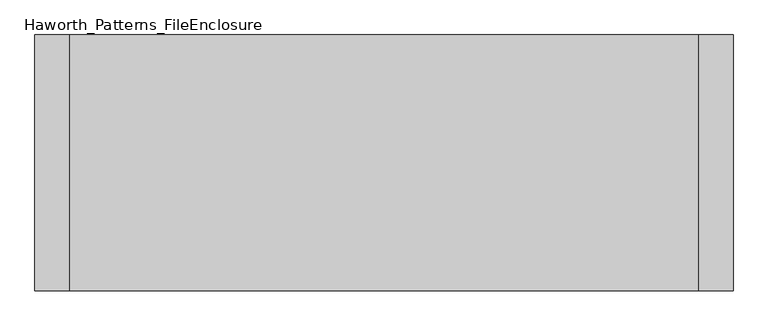
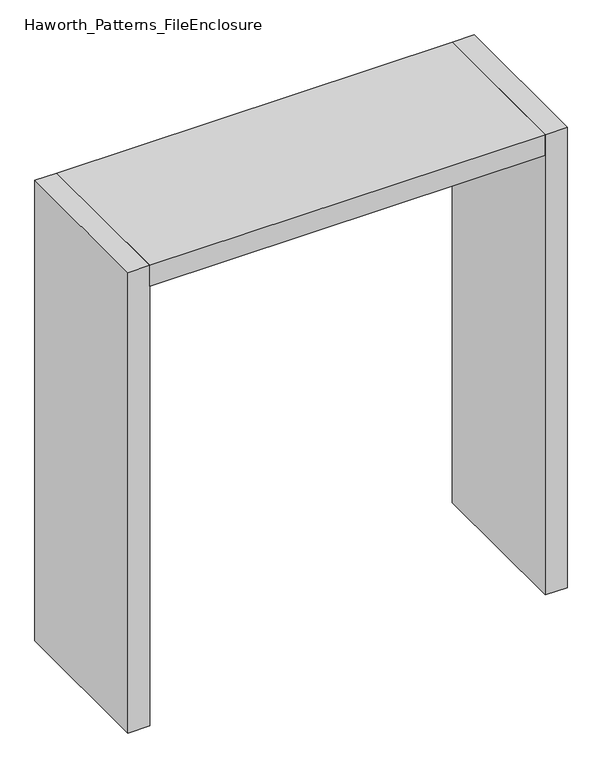
"""IFC4 building model written with IfcOpenShell, lengths in millimetres: furniture geometry, Haworth_Patterns_FileEnclosure."""

from ifc_helpers import new_model, si_unit, frame, origin, origin_with_axes, place, context, project, spatial, polyline, outline, extrude, source, transform, mapped, element, save


def haworth_patterns_fileenclosure_f796fb57(model_context):
    return source(origin(), model_context, "Body", "SweptSolid", [
        extrude(outline(polyline([(685.8, 0.0), (685.8, -558.8), (-685.8, -558.8), (-685.8, 0.0), (685.8, 0.0)])), frame((0.0, 0.0, 1612.9), z_axis=(0.0, 0.0, 1.0), x_axis=(1.0, 0.0, 0.0)), (0.0, 0.0, 1.0), 76.2),
        extrude(outline(polyline([(685.8, 0.0), (762.0, 0.0), (762.0, -558.8), (685.8, -558.8), (685.8, 0.0)])), origin_with_axes(), (0.0, 0.0, 1.0), 1689.1),
        extrude(outline(polyline([(-685.8, 0.0), (-685.8, -558.8), (-762.0, -558.8), (-762.0, 0.0), (-685.8, 0.0)])), origin_with_axes(), (0.0, 0.0, 1.0), 1689.1),
    ])


if __name__ == "__main__":
    model = new_model("IFC4")
    model_context = context("Model", 3, world=origin())
    ifc_project = project(units=[si_unit("LENGTHUNIT", "METRE", prefix="MILLI")], contexts=[model_context])
    site = spatial("IfcSite", under=ifc_project)
    building = spatial("IfcBuilding", under=site)
    placement = place(None, origin())
    haworth_patterns_fileenclosure_shape = haworth_patterns_fileenclosure_f796fb57(model_context)
    element("IfcFurniture", 1, ObjectType="Haworth_Patterns_FileEnclosure", at=placement, inside=building, context=model_context, shape_type="MappedRepresentation", body=[
        mapped(haworth_patterns_fileenclosure_shape, transform((0.0, 0.0, 0.0), x_axis=(1.0, 0.0, 0.0), y_axis=(0.0, 1.0, 0.0), z_axis=(0.0, 0.0, 1.0))),
    ])
    save(model, "model.ifc")
